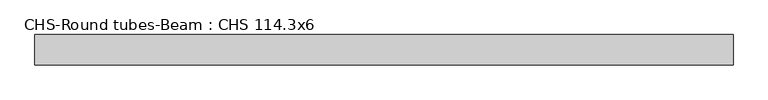
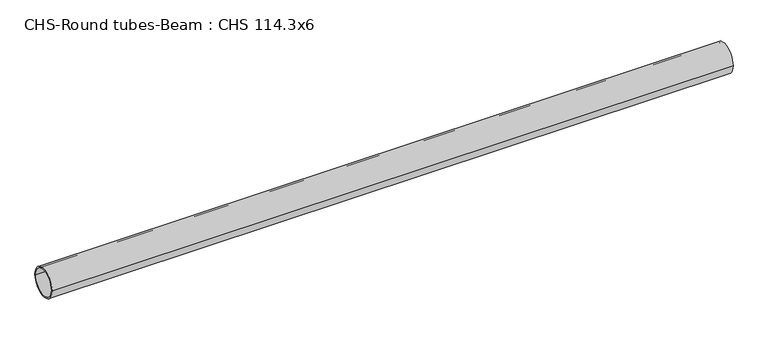
"""IFC4 building model written with IfcOpenShell, lengths in millimetres: beam geometry, CHS-Round tubes-Beam : CHS 114.3x6."""

from ifc_helpers import new_model, si_unit, point, frame, origin, origin_2d, place, context, project, spatial, circle_curve, trimmed, segment, composite_curve, outline, extrude, source, transform, mapped, element, save


def chs_round_tubes_beam_chs_114_3x6_2da071c2(model_context):
    return source(origin(), model_context, "Body", "SweptSolid", [
        extrude(outline(composite_curve([segment(trimmed(circle_curve(origin_2d(), 57.15), [point((57.15, 0.0))], [point((-57.15, 0.0))], False, "CARTESIAN"), True, "CONTINUOUS"), segment(trimmed(circle_curve(origin_2d(), 57.15), [point((-57.15, 0.0))], [point((57.15, 0.0))], False, "CARTESIAN"), True, "CONTINUOUS")], self_intersect=False), holes=[composite_curve([segment(trimmed(circle_curve(origin_2d(), 51.15), [point((51.15, 0.0))], [point((-51.15, 0.0))], True, "CARTESIAN"), True, "CONTINUOUS"), segment(trimmed(circle_curve(origin_2d(), 51.15), [point((-51.15, 0.0))], [point((51.15, 0.0))], True, "CARTESIAN"), True, "CONTINUOUS")], self_intersect=False)]), frame((-1273.86491, 0.0, 0.0), z_axis=(1.0, 0.0, 0.0), x_axis=(0.0, 1.0, 0.0)), (0.0, 0.0, 1.0), 2625.6328831),
    ])


if __name__ == "__main__":
    model = new_model("IFC4")
    model_context = context("Model", 3, world=origin())
    ifc_project = project(units=[si_unit("LENGTHUNIT", "METRE", prefix="MILLI")], contexts=[model_context])
    site = spatial("IfcSite", under=ifc_project)
    building = spatial("IfcBuilding", under=site)
    placement = place(None, origin())
    chs_round_tubes_beam_chs_114_3x6_shape = chs_round_tubes_beam_chs_114_3x6_2da071c2(model_context)
    element("IfcBeam", 1, ObjectType="CHS-Round tubes-Beam : CHS 114.3x6", at=placement, inside=building, context=model_context, shape_type="MappedRepresentation", body=[
        mapped(chs_round_tubes_beam_chs_114_3x6_shape, transform((0.0, 0.0, 0.0), x_axis=(1.0, 0.0, 0.0), y_axis=(0.0, 1.0, 0.0), z_axis=(0.0, 0.0, 1.0))),
    ])
    save(model, "model.ifc")
